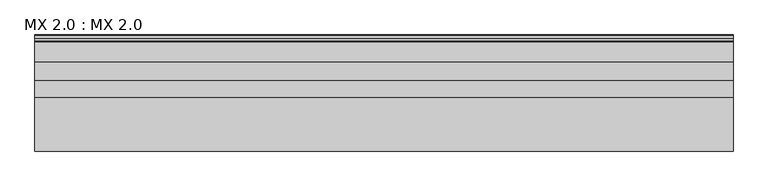
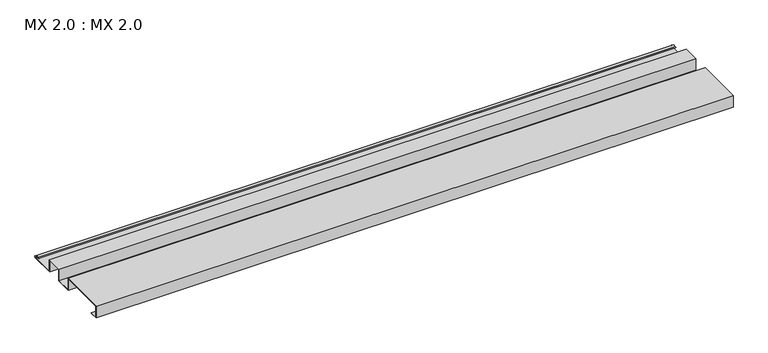
"""IFC4 building model written with IfcOpenShell, lengths in millimetres: proxy geometry, MX 2.0 : MX 2.0."""

from ifc_helpers import new_model, si_unit, point, frame, frame_2d, origin, place, context, project, spatial, polyline, circle_curve, trimmed, segment, composite_curve, outline, extrude, source, transform, mapped, element, save


def mx_2_0_mx_2_0_9367306c(model_context):
    return source(origin(), model_context, "Body", "SweptSolid", [
        extrude(outline(composite_curve([segment(polyline([(0.0, 0.0), (0.0, 38.0), (150.0, 38.0), (150.0, 0.0), (200.0, 0.0), (200.0, 38.0), (250.0, 38.0), (250.0, 0.0), (325.0510156, 0.0)]), True, "CONTINUOUS"), segment(trimmed(circle_curve(frame_2d((324.3094696, 1.9153551)), 2.0538928), [point((325.0510156, 0.0))], [point((325.1748462, 3.778041))], True, "CARTESIAN"), True, "CONTINUOUS"), segment(polyline([(325.1748462, 3.778041), (308.7874714, 6.923107)]), True, "CONTINUOUS"), segment(trimmed(circle_curve(frame_2d((309.4078886, 8.6005442)), 1.7884947), [point((308.7874714, 6.923107))], [point((308.9525789, 10.3301125))], False, "CARTESIAN"), True, "CONTINUOUS"), segment(polyline([(308.9525789, 10.3301125), (316.459338, 11.6715995), (316.635255, 10.6871945), (309.1762081, 9.3542338)]), True, "CONTINUOUS"), segment(trimmed(circle_curve(frame_2d((309.4078886, 8.6005442)), 0.7884947), [point((309.1762081, 9.3542338))], [point((309.0735117, 7.8864603))], True, "CARTESIAN"), True, "CONTINUOUS"), segment(polyline([(309.0735117, 7.8864603), (325.4722719, 4.7392091)]), True, "CONTINUOUS"), segment(trimmed(circle_curve(frame_2d((324.3094696, 1.9153551)), 3.0538928), [point((325.4722719, 4.7392091))], [point((325.2188462, -1.0))], False, "CARTESIAN"), True, "CONTINUOUS"), segment(polyline([(325.2188462, -1.0), (249.0, -1.0), (249.0, 37.0), (201.0, 37.0), (201.0, -1.0), (149.0, -1.0), (149.0, 37.0), (1.0, 37.0), (1.0, 1.0), (25.0, 1.0), (25.0, 0.0), (0.0, 0.0)]), True, "CONTINUOUS")], self_intersect=False)), frame((0.0, 0.0, 0.0), z_axis=(1.0, 0.0, 0.0), x_axis=(0.0, 1.0, 0.0)), (0.0, 0.0, 1.0), 1968.5604387),
    ])


if __name__ == "__main__":
    model = new_model("IFC4")
    model_context = context("Model", 3, world=origin())
    ifc_project = project(units=[si_unit("LENGTHUNIT", "METRE", prefix="MILLI")], contexts=[model_context])
    site = spatial("IfcSite", under=ifc_project)
    building = spatial("IfcBuilding", under=site)
    placement = place(None, origin())
    mx_2_0_mx_2_0_shape = mx_2_0_mx_2_0_9367306c(model_context)
    element("IfcBuildingElementProxy", 1, Name="MX 2.0 : MX 2.0", ObjectType="MX 2.0 : MX 2.0", at=placement, inside=building, context=model_context, shape_type="MappedRepresentation", body=[
        mapped(mx_2_0_mx_2_0_shape, transform((0.0, 0.0, 0.0), x_axis=(1.0, 0.0, 0.0), y_axis=(0.0, 1.0, 0.0), z_axis=(0.0, 0.0, 1.0))),
    ])
    save(model, "model.ifc")
